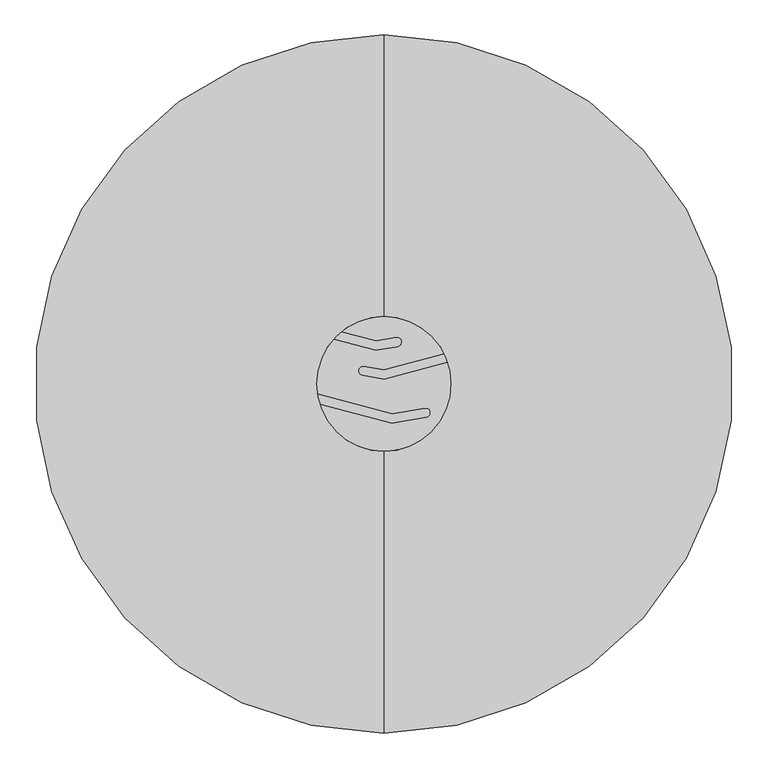
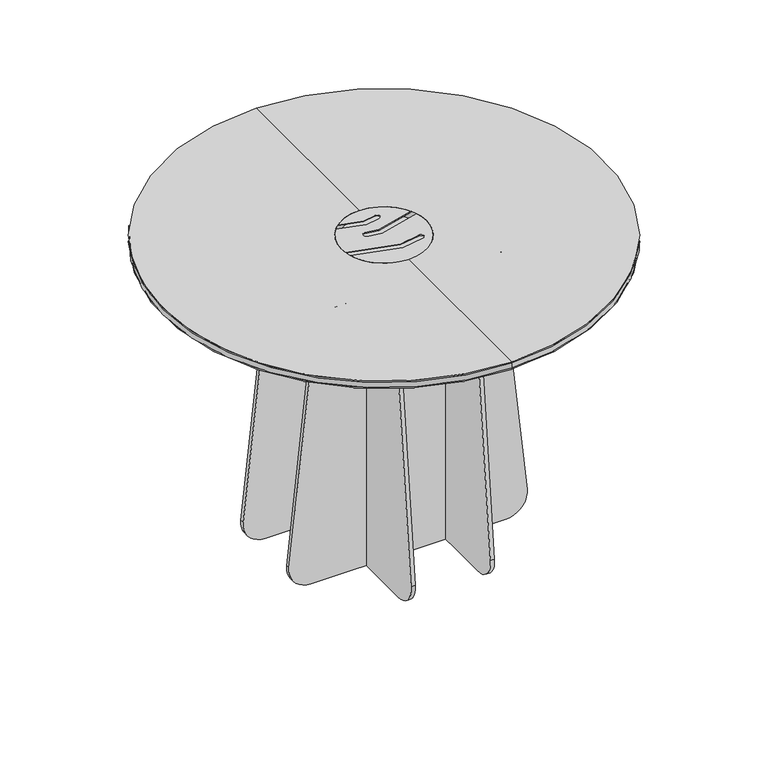
"""IFC4 building model written with IfcOpenShell, lengths in millimetres: furniture geometry."""

from ifc_helpers import new_model, si_unit, point, frame, frame_2d, origin, origin_2d, place, context, project, spatial, polyline, circle_curve, ellipse_curve, trimmed, segment, composite_curve, outline, extrude, source, transform, mapped, element, save
from ifc_brep_helpers import plane_surface, cylinder_surface, revolved_surface, advanced_brep


def furniture_c6f4b0c9(model_context):
    return source(origin(), model_context, "Body", "SolidModel", [
        extrude(outline(composite_curve([segment(trimmed(circle_curve(frame_2d((1018.3873965, 196.2845895)), 8.5), [point((1009.8873965, 196.2845895))], [point((1018.3873965, 204.7845895))], False, "CARTESIAN"), True, "CONTINUOUS"), segment(polyline([(1018.3873965, 204.7845895), (1020.000378, 204.7845895), (1020.000378, -204.7845895), (1018.3873965, -204.7845895)]), True, "CONTINUOUS"), segment(trimmed(circle_curve(frame_2d((1018.3873965, -196.2845895)), 8.5), [point((1018.3873965, -204.7845895))], [point((1009.8873965, -196.2845895))], False, "CARTESIAN"), True, "CONTINUOUS"), segment(polyline([(1009.8873965, -196.2845895), (1009.8873965, 196.2845895)]), True, "CONTINUOUS")], self_intersect=False)), frame((0.0, 242.5896085, 0.0), z_axis=(0.0, 1.0, 0.0), x_axis=(0.0, 0.0, 1.0)), (0.0, 0.0, 1.0), 40.0000216),
        extrude(outline(composite_curve([segment(trimmed(circle_curve(frame_2d((-196.2845895, 1018.3873965)), 8.5), [point((-196.2845895, 1009.8873965))], [point((-204.7845895, 1018.3873965))], False, "CARTESIAN"), True, "CONTINUOUS"), segment(polyline([(-204.7845895, 1018.3873965), (-204.7845895, 1020.000378), (204.7845895, 1020.000378), (204.7845895, 1018.3873965)]), True, "CONTINUOUS"), segment(trimmed(circle_curve(frame_2d((196.2845895, 1018.3873965)), 8.5), [point((204.7845895, 1018.3873965))], [point((196.2845895, 1009.8873965))], False, "CARTESIAN"), True, "CONTINUOUS"), segment(polyline([(196.2845895, 1009.8873965), (-196.2845895, 1009.8873965)]), True, "CONTINUOUS")], self_intersect=False)), frame((242.5896085, 0.0, 0.0), z_axis=(1.0, 0.0, 0.0), x_axis=(0.0, 1.0, 0.0)), (0.0, 0.0, 1.0), 40.0000216),
        extrude(outline(composite_curve([segment(trimmed(circle_curve(frame_2d((-196.2845895, 1018.3873965)), 8.5), [point((-196.2845895, 1009.8873965))], [point((-204.7845895, 1018.3873965))], False, "CARTESIAN"), True, "CONTINUOUS"), segment(polyline([(-204.7845895, 1018.3873965), (-204.7845895, 1020.000378), (204.7845895, 1020.000378), (204.7845895, 1018.3873965)]), True, "CONTINUOUS"), segment(trimmed(circle_curve(frame_2d((196.2845895, 1018.3873965)), 8.5), [point((204.7845895, 1018.3873965))], [point((196.2845895, 1009.8873965))], False, "CARTESIAN"), True, "CONTINUOUS"), segment(polyline([(196.2845895, 1009.8873965), (-196.2845895, 1009.8873965)]), True, "CONTINUOUS")], self_intersect=False)), frame((-282.5896301, 0.0, 0.0), z_axis=(1.0, 0.0, 0.0), x_axis=(0.0, 1.0, 0.0)), (0.0, 0.0, 1.0), 40.0000216),
        extrude(outline(composite_curve([segment(trimmed(circle_curve(frame_2d((1018.3873965, 196.2845895)), 8.5), [point((1009.8873965, 196.2845895))], [point((1018.3873965, 204.7845895))], False, "CARTESIAN"), True, "CONTINUOUS"), segment(polyline([(1018.3873965, 204.7845895), (1020.000378, 204.7845895), (1020.000378, -204.7845895), (1018.3873965, -204.7845895)]), True, "CONTINUOUS"), segment(trimmed(circle_curve(frame_2d((1018.3873965, -196.2845895)), 8.5), [point((1018.3873965, -204.7845895))], [point((1009.8873965, -196.2845895))], False, "CARTESIAN"), True, "CONTINUOUS"), segment(polyline([(1009.8873965, -196.2845895), (1009.8873965, 196.2845895)]), True, "CONTINUOUS")], self_intersect=False)), frame((0.0, -282.5896301, 0.0), z_axis=(0.0, 1.0, 0.0), x_axis=(0.0, 0.0, 1.0)), (0.0, 0.0, 1.0), 40.0000216),
        advanced_brep(
        [(-145.0, 0.0, 1022.6632789), (145.0, 0.0, 1022.6632789), (-145.0, 0.0, 1050.0), (0.0, -145.0, 1050.0), (145.0, 0.0, 1050.0), (0.0, 145.0, 1050.0), (0.0, -750.0, 1027.5331539), (0.0, 750.0, 1027.5331539), (0.0, 742.5, 1020.0331539), (0.0, -742.5, 1020.0331539), (0.0, -750.0, 1045.0331674), (0.0, 750.0, 1045.0331674), (0.0, -750.0, 1050.0), (0.0, 750.0, 1050.0), (0.0, 0.0, 1020.0331539)],
        [
            (0, 1, circle_curve(frame((0.0, 0.0, 1022.6632789), z_axis=(0.0, 0.0, 1.0), x_axis=(1.0, 0.0, 0.0)), 145.0)),
            (1, 0, circle_curve(frame((0.0, 0.0, 1022.6632789), z_axis=(0.0, 0.0, 1.0), x_axis=(1.0, 0.0, 0.0)), 145.0)),
            (0, 2),
            (2, 3, circle_curve(frame((0.0, 0.0, 1050.0), z_axis=(0.0, 0.0, 1.0), x_axis=(1.0, 0.0, 0.0)), 145.0)),
            (3, 4, circle_curve(frame((0.0, 0.0, 1050.0), z_axis=(0.0, 0.0, 1.0), x_axis=(1.0, 0.0, 0.0)), 145.0)),
            (4, 1),
            (4, 5, circle_curve(frame((0.0, 0.0, 1050.0), z_axis=(0.0, 0.0, 1.0), x_axis=(1.0, 0.0, 0.0)), 145.0)),
            (5, 2, circle_curve(frame((0.0, 0.0, 1050.0), z_axis=(0.0, 0.0, 1.0), x_axis=(1.0, 0.0, 0.0)), 145.0)),
            (6, 7, circle_curve(frame((0.0, 0.0, 1027.5331539), z_axis=(0.0, 0.0, -1.0), x_axis=(0.0, 1.0, 0.0)), 750.0)),
            (7, 8, circle_curve(frame((0.0, 742.5, 1027.5331539), z_axis=(-1.0, 0.0, 0.0), x_axis=(0.0, -1.0, 0.0)), 7.5)),
            (8, 9, circle_curve(frame((0.0, 0.0, 1020.0331539), z_axis=(0.0, 0.0, 1.0), x_axis=(0.0, 1.0, 0.0)), 742.5)),
            (9, 6, circle_curve(frame((0.0, -742.5, 1027.5331539), z_axis=(-1.0, 0.0, 0.0), x_axis=(0.0, 1.0, 0.0)), 7.5)),
            (7, 6, circle_curve(frame((0.0, 0.0, 1027.5331539), z_axis=(0.0, 0.0, -1.0), x_axis=(0.0, 1.0, 0.0)), 750.0)),
            (9, 8, circle_curve(frame((0.0, 0.0, 1020.0331539), z_axis=(0.0, 0.0, 1.0), x_axis=(0.0, 1.0, 0.0)), 742.5)),
            (6, 10),
            (10, 11, circle_curve(frame((0.0, 0.0, 1045.0331674), z_axis=(0.0, 0.0, -1.0), x_axis=(0.0, 1.0, 0.0)), 750.0)),
            (11, 7),
            (11, 10, circle_curve(frame((0.0, 0.0, 1045.0331674), z_axis=(0.0, 0.0, -1.0), x_axis=(0.0, 1.0, 0.0)), 750.0)),
            (10, 12),
            (12, 13, circle_curve(frame((0.0, 0.0, 1050.0), z_axis=(0.0, 0.0, -1.0), x_axis=(0.0, 1.0, 0.0)), 750.0)),
            (13, 11),
            (13, 12, circle_curve(frame((0.0, 0.0, 1050.0), z_axis=(0.0, 0.0, -1.0), x_axis=(0.0, 1.0, 0.0)), 750.0)),
            (12, 3),
            (5, 13),
            (8, 14),
            (14, 9),
        ],
        [
            plane_surface(frame((145.0, 0.0, 1022.6632789), z_axis=(0.0, 0.0, 1.0), x_axis=(0.0, -1.0, 0.0))),
            revolved_surface(polyline([(145.0, 0.0, 1050.0), (145.0, 0.0, 1022.6632789)]), (0.0, 0.0, 1022.6632789), (0.0, 0.0, 1.0)),
            revolved_surface(trimmed(ellipse_curve(frame((0.0, 742.5, 1027.5331539), z_axis=(1.0, 0.0, 0.0), x_axis=(0.0, -1.0, 0.0)), 7.5, 7.5), [point((0.0, 742.5, 1020.0331539))], [point((0.0, 750.0, 1027.5331539))], True, "CARTESIAN"), (0.0, 0.0, 1300.0), (0.0, 0.0, 1.0)),
            cylinder_surface(frame((0.0, 0.0, 1300.0), z_axis=(0.0, 0.0, 1.0), x_axis=(0.0, 1.0, 0.0)), 750.0),
            plane_surface(frame((0.0, 0.0, 1050.0), z_axis=(0.0, 0.0, 1.0), x_axis=(0.0, 1.0, 0.0))),
            plane_surface(frame((0.0, 0.0, 1020.0331539), z_axis=(0.0, 0.0, -1.0), x_axis=(0.0, 1.0, 0.0))),
        ],
        [
            (0, [[1, 2]]),
            (1, [[-1, 3, 4, 5, 6]]),
            (1, [[-2, -6, 7, 8, -3]]),
            (2, [[9, 10, 11, 12]]),
            (2, [[-10, 13, -12, 14]]),
            (3, [[-9, 15, 16, 17]]),
            (3, [[-13, -17, 18, -15]]),
            (3, [[-16, 19, 20, 21]]),
            (3, [[-18, -21, 22, -19]]),
            (4, [[-20, 23, -4, -8, 24]]),
            (4, [[-22, -24, -7, -5, -23]]),
            (5, [[-11, 25, 26]]),
            (5, [[-14, -26, -25]]),
        ],
    ),
        extrude(outline(composite_curve([segment(trimmed(circle_curve(origin_2d(), 145.0), [point((-143.4635973, -21.0522268))], [point((-108.3690688, 96.338699))], False, "CARTESIAN"), True, "CONTINUOUS"), segment(polyline([(-108.3690688, 96.338699), (-17.217028, 71.9145833), (30.2144383, 80.2780306)]), True, "CONTINUOUS"), segment(trimmed(circle_curve(frame_2d((28.4779566, 90.1261081)), 10.0), [point((30.2144383, 80.2780306))], [point((26.7414748, 99.9741856))], True, "CARTESIAN"), True, "CONTINUOUS"), segment(polyline([(26.7414748, 99.9741856), (-16.3234591, 92.3806759), (-91.463255, 112.5143235)]), True, "CONTINUOUS"), segment(trimmed(circle_curve(origin_2d(), 145.0), [point((-91.463255, 112.5143235))], [point((129.5098534, 65.2088788))], False, "CARTESIAN"), True, "CONTINUOUS"), segment(polyline([(129.5098534, 65.2088788), (0.0, 30.5068182), (-43.0649339, 38.1003279)]), True, "CONTINUOUS"), segment(trimmed(circle_curve(frame_2d((-44.8014157, 28.2522504)), 10.0), [point((-43.0649339, 38.1003279))], [point((-46.5378975, 18.4041729))], True, "CARTESIAN"), True, "CONTINUOUS"), segment(polyline([(-46.5378975, 18.4041729), (0.8935689, 10.0407256), (137.3100639, 46.5934153)]), True, "CONTINUOUS"), segment(trimmed(circle_curve(origin_2d(), 145.0), [point((137.3100639, 46.5934153))], [point((-138.4456235, -43.1023124))], False, "CARTESIAN"), True, "CONTINUOUS"), segment(polyline([(-138.4456235, -43.1023124), (16.9662998, -84.7448118), (91.5378975, -71.5958271)]), True, "CONTINUOUS"), segment(trimmed(circle_curve(frame_2d((89.8014157, -61.7477496)), 10.0), [point((91.5378975, -71.5958271))], [point((88.0649339, -51.8996721))], True, "CARTESIAN"), True, "CONTINUOUS"), segment(polyline([(88.0649339, -51.8996721), (17.8598687, -64.2787192), (-143.4635973, -21.0522268)]), True, "CONTINUOUS")], self_intersect=False)), frame((0.0, 0.0, 1047.525898), z_axis=(0.0, 0.0, 1.0), x_axis=(1.0, 0.0, 0.0)), (0.0, 0.0, 1.0), 2.474102),
        extrude(outline(composite_curve([segment(trimmed(circle_curve(frame_2d((328.9885604, 75.0)), 75.0), [point((403.5717494, 82.8960696))], [point((328.9885604, 0.0))], False, "CARTESIAN"), True, "CONTINUOUS"), segment(polyline([(328.9885604, 0.0), (-328.9885604, 0.0)]), True, "CONTINUOUS"), segment(trimmed(circle_curve(frame_2d((-328.9885604, 75.0)), 75.0), [point((-328.9885604, 0.0))], [point((-403.5717494, 82.8960696))], False, "CARTESIAN"), True, "CONTINUOUS"), segment(polyline([(-403.5717494, 82.8960696), (-304.3611776, 1020.000378), (304.3611776, 1020.000378), (403.5717494, 82.8960696)]), True, "CONTINUOUS")], self_intersect=False)), frame((127.6465142, 0.0, 0.0), z_axis=(1.0, 0.0, 0.0), x_axis=(0.0, 1.0, 0.0)), (0.0, 0.0, 1.0), 13.4999997),
        extrude(outline(composite_curve([segment(trimmed(circle_curve(frame_2d((328.9885604, 75.0)), 75.0), [point((403.5717494, 82.8960696))], [point((328.9885604, 0.0))], False, "CARTESIAN"), True, "CONTINUOUS"), segment(polyline([(328.9885604, 0.0), (-328.9885604, 0.0)]), True, "CONTINUOUS"), segment(trimmed(circle_curve(frame_2d((-328.9885604, 75.0)), 75.0), [point((-328.9885604, 0.0))], [point((-403.5717494, 82.8960696))], False, "CARTESIAN"), True, "CONTINUOUS"), segment(polyline([(-403.5717494, 82.8960696), (-304.3611776, 1020.000378), (304.3611776, 1020.000378), (403.5717494, 82.8960696)]), True, "CONTINUOUS")], self_intersect=False)), frame((-141.1465138, 0.0, 0.0), z_axis=(1.0, 0.0, 0.0), x_axis=(0.0, 1.0, 0.0)), (0.0, 0.0, 1.0), 13.4999997),
        extrude(outline(composite_curve([segment(trimmed(circle_curve(frame_2d((75.0, -328.9885604)), 75.0), [point((82.8960696, -403.5717494))], [point((0.0, -328.9885604))], False, "CARTESIAN"), True, "CONTINUOUS"), segment(polyline([(0.0, -328.9885604), (0.0, 328.9885604)]), True, "CONTINUOUS"), segment(trimmed(circle_curve(frame_2d((75.0, 328.9885604)), 75.0), [point((0.0, 328.9885604))], [point((82.8960696, 403.5717494))], False, "CARTESIAN"), True, "CONTINUOUS"), segment(polyline([(82.8960696, 403.5717494), (1020.000378, 304.3611776), (1020.000378, -304.3611776), (82.8960696, -403.5717494)]), True, "CONTINUOUS")], self_intersect=False)), frame((0.0, 127.6465142, 0.0), z_axis=(0.0, 1.0, 0.0), x_axis=(0.0, 0.0, 1.0)), (0.0, 0.0, 1.0), 13.4999997),
        extrude(outline(composite_curve([segment(trimmed(circle_curve(frame_2d((75.0, -328.9885604)), 75.0), [point((82.8960696, -403.5717494))], [point((0.0, -328.9885604))], False, "CARTESIAN"), True, "CONTINUOUS"), segment(polyline([(0.0, -328.9885604), (0.0, 328.9885604)]), True, "CONTINUOUS"), segment(trimmed(circle_curve(frame_2d((75.0, 328.9885604)), 75.0), [point((0.0, 328.9885604))], [point((82.8960696, 403.5717494))], False, "CARTESIAN"), True, "CONTINUOUS"), segment(polyline([(82.8960696, 403.5717494), (1020.000378, 304.3611776), (1020.000378, -304.3611776), (82.8960696, -403.5717494)]), True, "CONTINUOUS")], self_intersect=False)), frame((0.0, -141.1465138, 0.0), z_axis=(0.0, 1.0, 0.0), x_axis=(0.0, 0.0, 1.0)), (0.0, 0.0, 1.0), 13.4999997),
    ])


if __name__ == "__main__":
    model = new_model("IFC4")
    model_context = context("Model", 3, world=origin())
    ifc_project = project(units=[si_unit("LENGTHUNIT", "METRE", prefix="MILLI")], contexts=[model_context])
    site = spatial("IfcSite", under=ifc_project)
    building = spatial("IfcBuilding", under=site)
    placement = place(None, origin())
    furniture_shape = furniture_c6f4b0c9(model_context)
    element("IfcFurniture", 1, at=placement, inside=building, context=model_context, shape_type="MappedRepresentation", body=[
        mapped(furniture_shape, transform((0.0, 0.0, 0.0), x_axis=(1.0, 0.0, 0.0), y_axis=(0.0, 1.0, 0.0), z_axis=(0.0, 0.0, 1.0))),
    ])
    save(model, "model.ifc")
